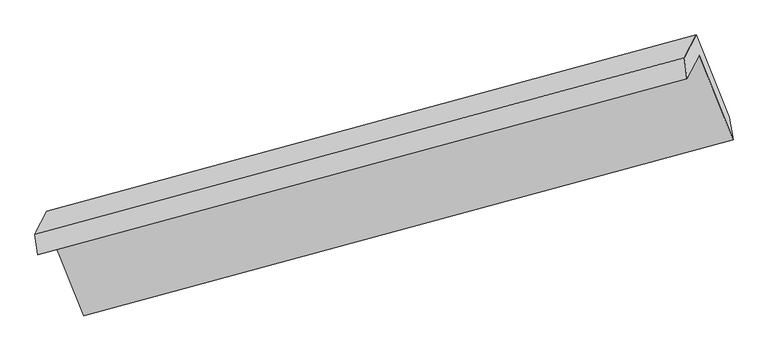
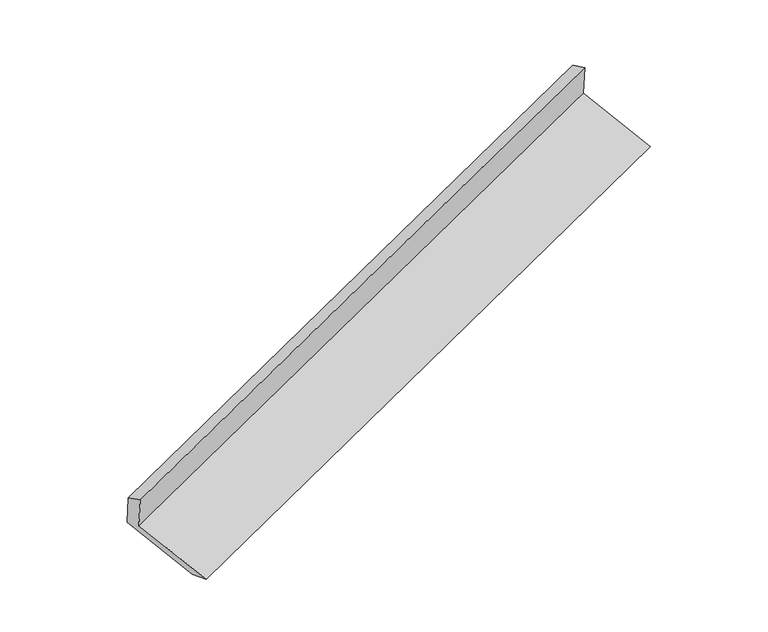
"""IFC4 building model written with IfcOpenShell, lengths in millimetres: proxy geometry."""

from ifc_helpers import new_model, si_unit, origin, place, context, project, spatial, faceted_brep, source, transform, mapped, element, save


def generic_models_80b4fe57(model_context):
    return source(origin(), model_context, "Body", "Brep", [
        faceted_brep([(-5230.18028, -2102.4748122, 1467.9558127), (-5146.137247, -1939.3035797, 1108.6900979), (-654.2906598, -719.88349, 2696.4596484), (-738.3336929, -883.0547226, 3055.7253632), (-5248.1674669, -1957.4728861, 1407.7806906), (-756.3208797, -738.0527965, 2995.5502411), (-5167.0854084, -1800.0504449, 1061.1724989), (-675.2388212, -580.6303553, 2648.9420494), (-4938.6881147, -2369.1114301, 856.145473), (-446.8415275, -1149.6913404, 2443.9150235), (-4911.3968255, -2524.1687211, 897.9689912), (-419.5502384, -1304.7486314, 2485.7385417)], [[[0, 1, 2, 3]], [[4, 0, 3, 5]], [[6, 4, 5, 7]], [[8, 6, 7, 9]], [[10, 8, 9, 11]], [[1, 10, 11, 2]], [[9, 7, 5, 3, 2, 11]], [[1, 0, 4, 6, 8, 10]]]),
    ])


if __name__ == "__main__":
    model = new_model("IFC4")
    model_context = context("Model", 3, world=origin())
    ifc_project = project(units=[si_unit("LENGTHUNIT", "METRE", prefix="MILLI")], contexts=[model_context])
    site = spatial("IfcSite", under=ifc_project)
    building = spatial("IfcBuilding", under=site)
    placement = place(None, origin())
    generic_models_shape = generic_models_80b4fe57(model_context)
    element("IfcBuildingElementProxy", 1, Name="Generic Models", at=placement, inside=building, context=model_context, shape_type="MappedRepresentation", body=[
        mapped(generic_models_shape, transform((0.0, 0.0, 0.0), x_axis=(1.0, 0.0, 0.0), y_axis=(0.0, 1.0, 0.0), z_axis=(0.0, 0.0, 1.0))),
    ])
    save(model, "model.ifc")
